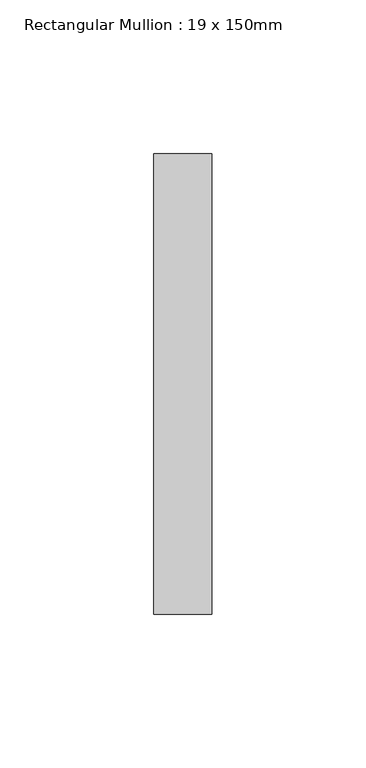
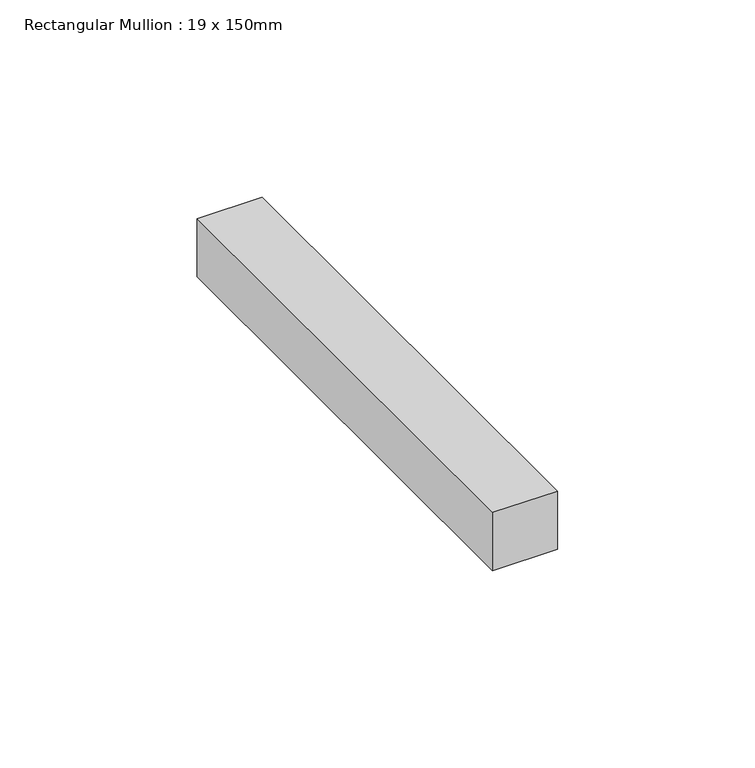
"""IFC4 building model written with IfcOpenShell, lengths in millimetres: member geometry, Rectangular Mullion : 19 x 150mm."""

from ifc_helpers import new_model, si_unit, frame, origin, place, context, project, spatial, polyline, outline, extrude, source, transform, mapped, element, save


def rectangular_mullion_19_x_150mm_7c13be34(model_context):
    return source(origin(), model_context, "Body", "SweptSolid", [
        extrude(outline(polyline([(9.5, -25.0), (9.5, -175.0), (-9.5, -175.0), (-9.5, -25.0), (9.5, -25.0)])), frame((0.0, 0.0, -18.0563276), z_axis=(0.0, 0.0, 1.0), x_axis=(1.0, 0.0, 0.0)), (0.0, 0.0, 1.0), 18.0563276),
    ])


if __name__ == "__main__":
    model = new_model("IFC4")
    model_context = context("Model", 3, world=origin())
    ifc_project = project(units=[si_unit("LENGTHUNIT", "METRE", prefix="MILLI")], contexts=[model_context])
    site = spatial("IfcSite", under=ifc_project)
    building = spatial("IfcBuilding", under=site)
    placement = place(None, origin())
    rectangular_mullion_19_x_150mm_shape = rectangular_mullion_19_x_150mm_7c13be34(model_context)
    element("IfcMember", 1, ObjectType="Rectangular Mullion : 19 x 150mm", at=placement, inside=building, context=model_context, shape_type="MappedRepresentation", body=[
        mapped(rectangular_mullion_19_x_150mm_shape, transform((0.0, 0.0, 0.0), x_axis=(1.0, 0.0, 0.0), y_axis=(0.0, 1.0, 0.0), z_axis=(0.0, 0.0, 1.0))),
    ])
    save(model, "model.ifc")
